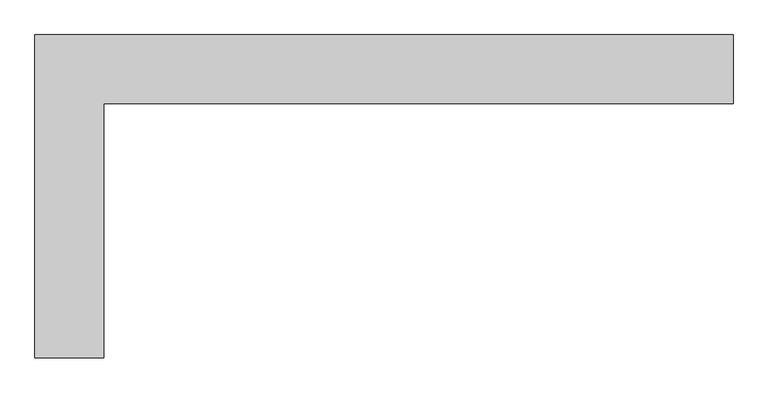
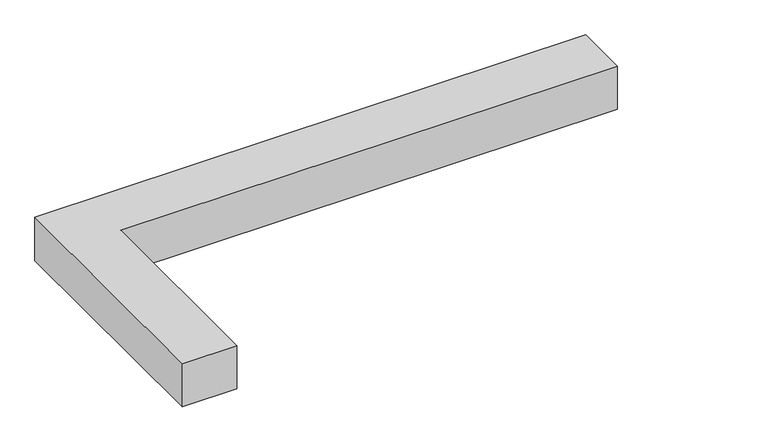
"""IFC4 building model written with IfcOpenShell, lengths in millimetres: proxy geometry."""

from ifc_helpers import new_model, si_unit, origin, origin_with_axes, place, context, project, spatial, polyline, outline, extrude, source, transform, mapped, element, save


def generic_models_f099363f(model_context):
    return source(origin(), model_context, "Body", "SweptSolid", [
        extrude(outline(polyline([(464738.8254676, -267100.8580223), (464738.8254676, -267583.4580223), (460324.307299, -267583.4580223), (460324.307299, -269370.2757335), (459841.707299, -269370.2757335), (459841.707299, -267100.8580223), (464738.8254676, -267100.8580223)])), origin_with_axes(), (0.0, 0.0, 1.0), 406.4),
    ])


if __name__ == "__main__":
    model = new_model("IFC4")
    model_context = context("Model", 3, world=origin())
    ifc_project = project(units=[si_unit("LENGTHUNIT", "METRE", prefix="MILLI")], contexts=[model_context])
    site = spatial("IfcSite", under=ifc_project)
    building = spatial("IfcBuilding", under=site)
    placement = place(None, origin())
    generic_models_shape = generic_models_f099363f(model_context)
    element("IfcBuildingElementProxy", 1, Name="Generic Models", at=placement, inside=building, context=model_context, shape_type="MappedRepresentation", body=[
        mapped(generic_models_shape, transform((0.0, 0.0, 0.0), x_axis=(1.0, 0.0, 0.0), y_axis=(0.0, 1.0, 0.0), z_axis=(0.0, 0.0, 1.0))),
    ])
    save(model, "model.ifc")
